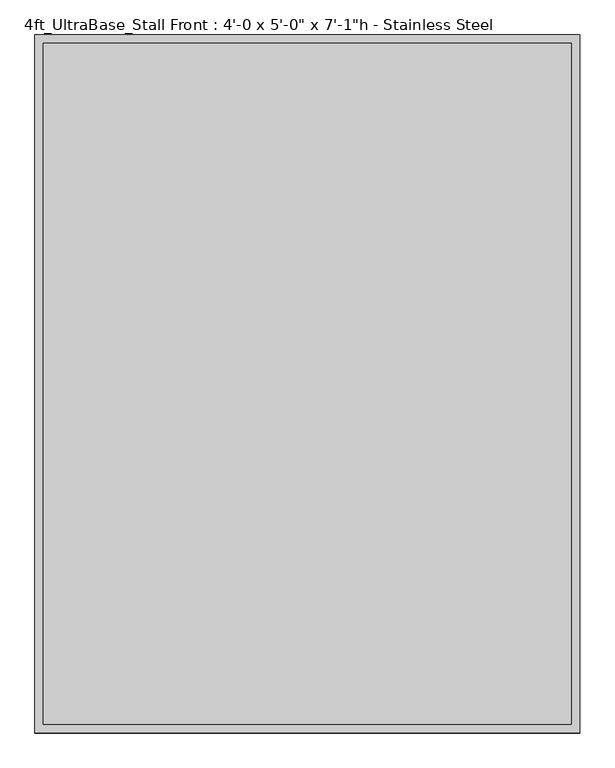
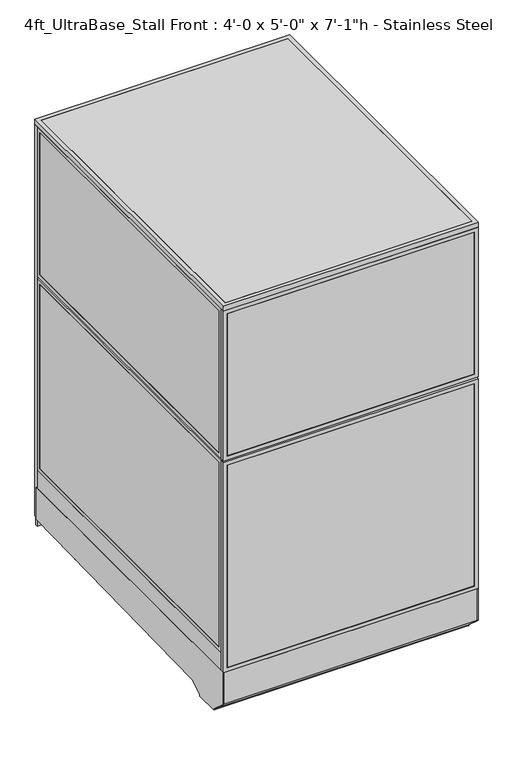
"""IFC4 building model written with IfcOpenShell, lengths in millimetres: proxy geometry."""

import ifcopenshell
import ifcopenshell.guid

model = None  # the IFC model being written
_history = None  # IfcOwnerHistory: only IFC2X3 demands one
_inside = {}  # id of a spatial element -> (the spatial element, [elements in it])
_under = {}  # id of a project, library or spatial element -> (it, [spatial elements below it])
_declared = {}  # id of a project -> (the project, [libraries it declares])
_typed = {}  # id of a type object -> (the type object, [elements of that type])
_made_of = {}  # id of a material, layer set ... -> (it, [elements and type objects made of it])


def new_model(schema):
    """Start an empty IFC model of exactly this schema.

    Asked for "IFC4X3", IfcOpenShell would pick the latest addendum, in which some entities
    have other attributes; the version numbers below select the first issue.
    IFC2X3 requires an IfcOwnerHistory on every rooted entity: one is made here for all.
    """
    global model, _history
    if schema == "IFC4X3":
        model = ifcopenshell.file(schema_version=(4, 3, 0, 0))
    else:
        model = ifcopenshell.file(schema=schema)
    _inside.clear()
    _under.clear()
    _declared.clear()
    _typed.clear()
    _made_of.clear()
    _history = None
    if model.schema == "IFC2X3":
        org = make("IfcOrganization", Name="unknown")
        user = make(
            "IfcPersonAndOrganization",
            ThePerson=make("IfcPerson", FamilyName="unknown"),
            TheOrganization=org,
        )
        app = make(
            "IfcApplication",
            ApplicationDeveloper=org,
            Version="unknown",
            ApplicationFullName="unknown",
            ApplicationIdentifier="unknown",
        )
        _history = make(
            "IfcOwnerHistory",
            OwningUser=user,
            OwningApplication=app,
            ChangeAction="ADDED",
            CreationDate=0,
        )
    return model


def make(cls, **values):
    """One entity of the class cls with the attributes given. An attribute that is None is left unset."""
    return model.create_entity(
        cls, **{name: value for name, value in values.items() if value is not None}
    )


def rooted(cls, **values):
    """An entity with a GlobalId (a new one), such as an element, a storey or a relation."""
    return make(cls, GlobalId=ifcopenshell.guid.new(), OwnerHistory=_history, **values)


def si_unit(unit_type, name, prefix=None):
    """IfcSIUnit, for example si_unit("LENGTHUNIT", "METRE", prefix="MILLI")."""
    return make("IfcSIUnit", UnitType=unit_type, Prefix=prefix, Name=name)


def assignment(units):
    """IfcUnitAssignment: the units of a project."""
    return None if units is None else make("IfcUnitAssignment", Units=units)


def point(xyz):
    """IfcCartesianPoint."""
    return None if xyz is None else make("IfcCartesianPoint", Coordinates=xyz)


def direction(xyz):
    """IfcDirection."""
    return None if xyz is None else make("IfcDirection", DirectionRatios=xyz)


def frame(location, z_axis=None, x_axis=None):
    """IfcAxis2Placement3D, a coordinate frame: its origin and axes. An axis left out is left unset."""
    return make(
        "IfcAxis2Placement3D",
        Location=point(location),
        Axis=direction(z_axis),
        RefDirection=direction(x_axis),
    )


def frame_2d(location, x_axis=None):
    """IfcAxis2Placement2D, a coordinate frame in the plane: its origin and x axis."""
    return make(
        "IfcAxis2Placement2D", Location=point(location), RefDirection=direction(x_axis)
    )


def origin():
    """The frame at (0, 0, 0) with its axes left unset."""
    return frame((0.0, 0.0, 0.0))


def origin_with_axes():
    """The frame at (0, 0, 0) with the z axis (0, 0, 1) and the x axis (1, 0, 0) written out."""
    return frame((0.0, 0.0, 0.0), z_axis=(0.0, 0.0, 1.0), x_axis=(1.0, 0.0, 0.0))


def place(relative_to, where):
    """IfcLocalPlacement: puts the frame where relative to a parent placement (None: the world)."""
    return make(
        "IfcLocalPlacement", PlacementRelTo=relative_to, RelativePlacement=where
    )


def context(
    kind, dimensions, precision=None, world=None, true_north=None, identifier=None
):
    """IfcGeometricRepresentationContext, for example the 3D "Model" context."""
    return make(
        "IfcGeometricRepresentationContext",
        ContextIdentifier=identifier,
        ContextType=kind,
        CoordinateSpaceDimension=dimensions,
        Precision=precision,
        WorldCoordinateSystem=world,
        TrueNorth=true_north,
    )


def project(units=None, contexts=None):
    """IfcProject with its units and contexts."""
    return rooted(
        "IfcProject",
        Name="project",
        RepresentationContexts=contexts,
        UnitsInContext=assignment(units),
    )


def spatial(cls, under=None, at=None, **own):
    """A site, building, storey or space (cls), placed at a placement, below another one or the project."""
    s = rooted(cls, ObjectPlacement=at, **own)
    if under is not None:
        _under.setdefault(under.id(), (under, []))[1].append(s)
    return s


def polyline(points):
    """IfcPolyline through the points."""
    return make("IfcPolyline", Points=[point(p) for p in points])


def circle_curve(where, radius):
    """IfcCircle in the frame where."""
    return make("IfcCircle", Position=where, Radius=radius)


def trimmed(basis, trim1, trim2, sense, master):
    """IfcTrimmedCurve: the piece of a basis curve between two trims."""
    return make(
        "IfcTrimmedCurve",
        BasisCurve=basis,
        Trim1=trim1,
        Trim2=trim2,
        SenseAgreement=sense,
        MasterRepresentation=master,
    )


def segment(curve, same_sense, transition):
    """IfcCompositeCurveSegment."""
    return make(
        "IfcCompositeCurveSegment",
        Transition=transition,
        SameSense=same_sense,
        ParentCurve=curve,
    )


def composite_curve(segments, self_intersect=None):
    """IfcCompositeCurve: segments joined end to end."""
    return make("IfcCompositeCurve", Segments=segments, SelfIntersect=self_intersect)


def outline(outer, holes=None, kind="AREA"):
    """IfcArbitraryClosedProfileDef: a profile drawn as a closed curve; with holes, ...WithVoids."""
    if holes is None:
        return make("IfcArbitraryClosedProfileDef", ProfileType=kind, OuterCurve=outer)
    return make(
        "IfcArbitraryProfileDefWithVoids",
        ProfileType=kind,
        OuterCurve=outer,
        InnerCurves=holes,
    )


def extrude(swept, where, along, depth):
    """IfcExtrudedAreaSolid: the profile swept, set in the frame where, extruded along a direction by depth."""
    return make(
        "IfcExtrudedAreaSolid",
        SweptArea=swept,
        Position=where,
        ExtrudedDirection=direction(along),
        Depth=depth,
    )


def shape(context_of_items, identifier, shape_type, items):
    """IfcShapeRepresentation: the items that make up one representation, for example the "Body"."""
    return make(
        "IfcShapeRepresentation",
        ContextOfItems=context_of_items,
        RepresentationIdentifier=identifier,
        RepresentationType=shape_type,
        Items=items,
    )


def source(mapping_origin, context_of_items, identifier, shape_type, items):
    """IfcRepresentationMap: a shape defined once, which mapped items show again and again."""
    return make(
        "IfcRepresentationMap",
        MappingOrigin=mapping_origin,
        MappedRepresentation=shape(context_of_items, identifier, shape_type, items),
    )


def transform(
    local_origin,
    x_axis=None,
    y_axis=None,
    z_axis=None,
    scale=None,
    scale2=None,
    scale3=None,
    uniform=True,
):
    """IfcCartesianTransformationOperator3D, or its non-uniform kind. x_axis, y_axis, z_axis: its Axis1, 2, 3."""
    if uniform:
        return make(
            "IfcCartesianTransformationOperator3D",
            Axis1=direction(x_axis),
            Axis2=direction(y_axis),
            LocalOrigin=point(local_origin),
            Scale=scale,
            Axis3=direction(z_axis),
        )
    return make(
        "IfcCartesianTransformationOperator3DnonUniform",
        Axis1=direction(x_axis),
        Axis2=direction(y_axis),
        LocalOrigin=point(local_origin),
        Scale=scale,
        Axis3=direction(z_axis),
        Scale2=scale2,
        Scale3=scale3,
    )


def mapped(mapping_source, mapping_target):
    """IfcMappedItem: shows the shape of a source again, moved by a transform."""
    return make(
        "IfcMappedItem", MappingSource=mapping_source, MappingTarget=mapping_target
    )


def made_of(thing, what):
    """Note that an element or type object is made of a material, layer set ...; save() writes the relation."""
    if what is not None:
        _made_of.setdefault(what.id(), (what, []))[1].append(thing)
    return thing


def element(
    cls,
    number,
    at=None,
    inside=None,
    cuts=None,
    type_object=None,
    material=None,
    context=None,
    identifier="Body",
    shape_type=None,
    held_by="IfcProductDefinitionShape",
    body=None,
    shapes=None,
    **own,
):
    """One element of the class cls, such as IfcWall. Its Tag is "e" and its number.

    at: its placement. inside: the storey or other place that contains it. cuts: it is an
    opening in that element (IfcRelVoidsElement). A single representation is given by context,
    identifier, shape_type and body (its items); several are given by shapes. held_by: the class
    of the entity that holds the representations. save() writes the other relations.
    """
    e = rooted(cls, Tag="e%d" % number, ObjectPlacement=at, **own)
    if body is not None:
        shapes = [shape(context, identifier, shape_type, body)]
    if shapes is not None:
        e.Representation = make(held_by, Representations=shapes)
    if inside is not None:
        _inside.setdefault(inside.id(), (inside, []))[1].append(e)
    if cuts is not None:
        rooted(
            "IfcRelVoidsElement", RelatingBuildingElement=cuts, RelatedOpeningElement=e
        )
    if type_object is not None:
        _typed.setdefault(type_object.id(), (type_object, []))[1].append(e)
    return made_of(e, material)


def aggregate(whole, parts):
    """IfcRelAggregates: a whole, such as a stair, and the parts it consists of."""
    return rooted("IfcRelAggregates", RelatingObject=whole, RelatedObjects=parts)


def save(model, path):
    """Write the relations noted so far, then the file.

    IfcRelAggregates (storeys below a building ...), IfcRelContainedInSpatialStructure (elements
    in a storey), IfcRelDefinesByType, IfcRelAssociatesMaterial and IfcRelDeclares: one each for
    every whole, place, type object, material and project.
    """
    for whole, parts in _under.values():
        aggregate(whole, parts)
    for where, things in _inside.values():
        rooted(
            "IfcRelContainedInSpatialStructure",
            RelatedElements=things,
            RelatingStructure=where,
        )
    for kind, things in _typed.values():
        rooted("IfcRelDefinesByType", RelatedObjects=things, RelatingType=kind)
    for what, things in _made_of.values():
        rooted("IfcRelAssociatesMaterial", RelatedObjects=things, RelatingMaterial=what)
    for by, libraries in _declared.values():
        rooted("IfcRelDeclares", RelatingContext=by, RelatedDefinitions=libraries)
    model.write(path)


def proxy_b6358f0b(model_context):
    return source(origin(), model_context, "Body", "SweptSolid", [
        extrude(outline(composite_curve([segment(trimmed(circle_curve(frame_2d((1110.8236459, 1372.8018426)), 38.1), [point((1072.7236459, 1372.8018426))], [point((1148.9236459, 1372.8018426))], False, "CARTESIAN"), True, "CONTINUOUS"), segment(trimmed(circle_curve(frame_2d((1110.8236459, 1372.8018426)), 38.1), [point((1148.9236459, 1372.8018426))], [point((1072.7236459, 1372.8018426))], False, "CARTESIAN"), True, "CONTINUOUS")], self_intersect=False)), frame((0.0, 0.0, 130.9806848), z_axis=(0.0, 0.0, 1.0), x_axis=(1.0, 0.0, 0.0)), (0.0, 0.0, 1.0), 12.9784433),
        extrude(outline(composite_curve([segment(trimmed(circle_curve(frame_2d((1110.8236459, 1372.8018426)), 12.7), [point((1098.1236459, 1372.8018426))], [point((1123.5236459, 1372.8018426))], False, "CARTESIAN"), True, "CONTINUOUS"), segment(trimmed(circle_curve(frame_2d((1110.8236459, 1372.8018426)), 12.7), [point((1123.5236459, 1372.8018426))], [point((1098.1236459, 1372.8018426))], False, "CARTESIAN"), True, "CONTINUOUS")], self_intersect=False)), frame((0.0, 0.0, 6.35), z_axis=(0.0, 0.0, 1.0), x_axis=(1.0, 0.0, 0.0)), (0.0, 0.0, 1.0), 124.6306848),
        extrude(outline(composite_curve([segment(trimmed(circle_curve(frame_2d((1110.8236459, 1372.8018426)), 25.4), [point((1085.4236459, 1372.8018426))], [point((1136.2236459, 1372.8018426))], False, "CARTESIAN"), True, "CONTINUOUS"), segment(trimmed(circle_curve(frame_2d((1110.8236459, 1372.8018426)), 25.4), [point((1136.2236459, 1372.8018426))], [point((1085.4236459, 1372.8018426))], False, "CARTESIAN"), True, "CONTINUOUS")], self_intersect=False)), origin_with_axes(), (0.0, 0.0, 1.0), 6.35),
        extrude(outline(composite_curve([segment(trimmed(circle_curve(frame_2d((120.2236459, 1372.8018426)), 38.1), [point((82.1236459, 1372.8018426))], [point((158.3236459, 1372.8018426))], False, "CARTESIAN"), True, "CONTINUOUS"), segment(trimmed(circle_curve(frame_2d((120.2236459, 1372.8018426)), 38.1), [point((158.3236459, 1372.8018426))], [point((82.1236459, 1372.8018426))], False, "CARTESIAN"), True, "CONTINUOUS")], self_intersect=False)), frame((0.0, 0.0, 130.9806848), z_axis=(0.0, 0.0, 1.0), x_axis=(1.0, 0.0, 0.0)), (0.0, 0.0, 1.0), 12.9784433),
        extrude(outline(composite_curve([segment(trimmed(circle_curve(frame_2d((120.2236459, 1372.8018426)), 12.7), [point((107.5236459, 1372.8018426))], [point((132.9236459, 1372.8018426))], False, "CARTESIAN"), True, "CONTINUOUS"), segment(trimmed(circle_curve(frame_2d((120.2236459, 1372.8018426)), 12.7), [point((132.9236459, 1372.8018426))], [point((107.5236459, 1372.8018426))], False, "CARTESIAN"), True, "CONTINUOUS")], self_intersect=False)), frame((0.0, 0.0, 6.35), z_axis=(0.0, 0.0, 1.0), x_axis=(1.0, 0.0, 0.0)), (0.0, 0.0, 1.0), 124.6306848),
        extrude(outline(composite_curve([segment(trimmed(circle_curve(frame_2d((120.2236459, 1372.8018426)), 25.4), [point((94.8236459, 1372.8018426))], [point((145.6236459, 1372.8018426))], False, "CARTESIAN"), True, "CONTINUOUS"), segment(trimmed(circle_curve(frame_2d((120.2236459, 1372.8018426)), 25.4), [point((145.6236459, 1372.8018426))], [point((94.8236459, 1372.8018426))], False, "CARTESIAN"), True, "CONTINUOUS")], self_intersect=False)), origin_with_axes(), (0.0, 0.0, 1.0), 6.35),
        extrude(outline(composite_curve([segment(trimmed(circle_curve(frame_2d((120.2236459, 331.9496116)), 38.1), [point((82.1236459, 331.9496116))], [point((158.3236459, 331.9496116))], False, "CARTESIAN"), True, "CONTINUOUS"), segment(trimmed(circle_curve(frame_2d((120.2236459, 331.9496116)), 38.1), [point((158.3236459, 331.9496116))], [point((82.1236459, 331.9496116))], False, "CARTESIAN"), True, "CONTINUOUS")], self_intersect=False)), frame((0.0, 0.0, 103.9931848), z_axis=(0.0, 0.0, 1.0), x_axis=(1.0, 0.0, 0.0)), (0.0, 0.0, 1.0), 12.9784433),
        extrude(outline(composite_curve([segment(trimmed(circle_curve(frame_2d((120.2236459, 331.9496116)), 12.7), [point((107.5236459, 331.9496116))], [point((132.9236459, 331.9496116))], False, "CARTESIAN"), True, "CONTINUOUS"), segment(trimmed(circle_curve(frame_2d((120.2236459, 331.9496116)), 12.7), [point((132.9236459, 331.9496116))], [point((107.5236459, 331.9496116))], False, "CARTESIAN"), True, "CONTINUOUS")], self_intersect=False)), frame((0.0, 0.0, 6.35), z_axis=(0.0, 0.0, 1.0), x_axis=(1.0, 0.0, 0.0)), (0.0, 0.0, 1.0), 97.6431848),
        extrude(outline(composite_curve([segment(trimmed(circle_curve(frame_2d((120.2236459, 331.9496116)), 25.4), [point((94.8236459, 331.9496116))], [point((145.6236459, 331.9496116))], False, "CARTESIAN"), True, "CONTINUOUS"), segment(trimmed(circle_curve(frame_2d((120.2236459, 331.9496116)), 25.4), [point((145.6236459, 331.9496116))], [point((94.8236459, 331.9496116))], False, "CARTESIAN"), True, "CONTINUOUS")], self_intersect=False)), origin_with_axes(), (0.0, 0.0, 1.0), 6.35),
        extrude(outline(composite_curve([segment(trimmed(circle_curve(frame_2d((1110.8236459, 331.9496116)), 38.1), [point((1072.7236459, 331.9496116))], [point((1148.9236459, 331.9496116))], False, "CARTESIAN"), True, "CONTINUOUS"), segment(trimmed(circle_curve(frame_2d((1110.8236459, 331.9496116)), 38.1), [point((1148.9236459, 331.9496116))], [point((1072.7236459, 331.9496116))], False, "CARTESIAN"), True, "CONTINUOUS")], self_intersect=False)), frame((0.0, 0.0, 103.9931848), z_axis=(0.0, 0.0, 1.0), x_axis=(1.0, 0.0, 0.0)), (0.0, 0.0, 1.0), 12.9784433),
        extrude(outline(composite_curve([segment(trimmed(circle_curve(frame_2d((1110.8236459, 331.9496116)), 12.7), [point((1098.1236459, 331.9496116))], [point((1123.5236459, 331.9496116))], False, "CARTESIAN"), True, "CONTINUOUS"), segment(trimmed(circle_curve(frame_2d((1110.8236459, 331.9496116)), 12.7), [point((1123.5236459, 331.9496116))], [point((1098.1236459, 331.9496116))], False, "CARTESIAN"), True, "CONTINUOUS")], self_intersect=False)), frame((0.0, 0.0, 6.35), z_axis=(0.0, 0.0, 1.0), x_axis=(1.0, 0.0, 0.0)), (0.0, 0.0, 1.0), 97.6431848),
        extrude(outline(composite_curve([segment(trimmed(circle_curve(frame_2d((1110.8236459, 331.9496116)), 25.4), [point((1085.4236459, 331.9496116))], [point((1136.2236459, 331.9496116))], False, "CARTESIAN"), True, "CONTINUOUS"), segment(trimmed(circle_curve(frame_2d((1110.8236459, 331.9496116)), 25.4), [point((1136.2236459, 331.9496116))], [point((1085.4236459, 331.9496116))], False, "CARTESIAN"), True, "CONTINUOUS")], self_intersect=False)), origin_with_axes(), (0.0, 0.0, 1.0), 6.35),
        extrude(outline(polyline([(-19.05, 304.8), (1530.35, 304.8), (1530.35, 143.3232444), (238.733612, 113.4956461), (175.3928625, 76.9258473), (175.3928625, 69.0977369), (59.8970382, 69.0977369), (59.8970382, 73.3553835), (-19.05, 144.439616), (-19.05, 304.8)])), frame((0.0, 0.0, 0.0), z_axis=(1.0, 0.0, 0.0), x_axis=(0.0, 1.0, 0.0)), (0.0, 0.0, 1.0), 3.175),
        extrude(outline(polyline([(-19.05, 304.8), (1530.35, 304.8), (1530.35, 143.3232444), (238.733612, 113.4956461), (175.3928625, 76.9258473), (175.3928625, 69.0977369), (59.8970382, 69.0977369), (59.8970382, 73.3553835), (-19.05, 144.439616), (-19.05, 304.8)])), frame((1216.025, 0.0, 0.0), z_axis=(1.0, 0.0, 0.0), x_axis=(0.0, 1.0, 0.0)), (0.0, 0.0, 1.0), 3.175),
        extrude(outline(polyline([(1530.35, 104.78262), (1530.35, 144.8342358), (238.733612, 113.4956461), (175.3928625, 76.9258473), (175.3928625, 69.0977369), (59.8970382, 69.0977369), (59.8970382, 73.3553835), (-19.05, 144.439616), (-19.05, 304.8), (-10.9434074, 304.8), (-10.9434074, 236.4996867), (-5.6766373, 236.4996867), (-2.6025146, 148.4683295), (68.18203, 84.7336392), (68.18203, 79.4164869), (167.804636, 79.4164869), (167.804636, 86.088281), (237.0845322, 126.0870477), (1543.05, 157.8890047), (1543.05, 104.78262), (1530.35, 104.78262)])), frame((3.175, 0.0, 0.0), z_axis=(1.0, 0.0, 0.0), x_axis=(0.0, 1.0, 0.0)), (0.0, 0.0, 1.0), 1212.85),
        extrude(outline(polyline([(60.3189838, 1541.4625), (854.0810162, 1541.4625), (854.0810162, 1525.5875), (60.3189838, 1525.5875), (60.3189838, 1541.4625)])), frame((0.0, 0.0, 212.725), z_axis=(0.0, 0.0, 1.0), x_axis=(1.0, 0.0, 0.0)), (0.0, 0.0, 1.0), 1860.55),
        extrude(outline(polyline([(193.675, 41.2689838), (193.675, 873.1310162), (2092.325, 873.1310162), (2092.325, 41.2689838), (193.675, 41.2689838)]), holes=[polyline([(2073.275, 854.0810162), (212.725, 854.0810162), (212.725, 60.3189838), (2073.275, 60.3189838), (2073.275, 854.0810162)])]), frame((0.0, 1524.0, 0.0), z_axis=(0.0, 1.0, 0.0), x_axis=(0.0, 0.0, 1.0)), (0.0, 0.0, 1.0), 19.05),
        extrude(outline(polyline([(152.4, 0.0), (152.4, 914.4), (2133.6, 914.4), (2133.6, 0.0), (152.4, 0.0)]), holes=[polyline([(2114.55, 19.05), (2114.55, 895.35), (171.45, 895.35), (171.45, 19.05), (2114.55, 19.05)])]), frame((0.0, 1524.0, 0.0), z_axis=(0.0, 1.0, 0.0), x_axis=(0.0, 0.0, 1.0)), (0.0, 0.0, 1.0), 19.05),
        extrude(outline(polyline([(933.45, 1541.4625), (1200.15, 1541.4625), (1200.15, 1525.5875), (933.45, 1525.5875), (933.45, 1541.4625)])), frame((0.0, 0.0, 171.45), z_axis=(0.0, 0.0, 1.0), x_axis=(1.0, 0.0, 0.0)), (0.0, 0.0, 1.0), 800.1),
        extrude(outline(polyline([(933.45, 1541.4625), (1200.15, 1541.4625), (1200.15, 1525.5875), (933.45, 1525.5875), (933.45, 1541.4625)])), frame((0.0, 0.0, 1009.65), z_axis=(0.0, 0.0, 1.0), x_axis=(1.0, 0.0, 0.0)), (0.0, 0.0, 1.0), 1104.9),
        extrude(outline(polyline([(2133.6, 1219.2), (2133.6, 914.4), (152.4, 914.4), (152.4, 1219.2), (2133.6, 1219.2)]), holes=[polyline([(1009.65, 1200.15), (1009.65, 933.45), (2114.55, 933.45), (2114.55, 1200.15), (1009.65, 1200.15)]), polyline([(971.55, 1200.15), (171.45, 1200.15), (171.45, 933.45), (971.55, 933.45), (971.55, 1200.15)])]), frame((0.0, 1524.0, 0.0), z_axis=(0.0, 1.0, 0.0), x_axis=(0.0, 0.0, 1.0)), (0.0, 0.0, 1.0), 19.05),
        extrude(outline(polyline([(1366.8375, 1219.2), (1366.8375, 0.0), (304.8, 0.0), (304.8, 1219.2), (1366.8375, 1219.2)]), holes=[polyline([(323.85, 1200.15), (323.85, 19.05), (1347.7875, 19.05), (1347.7875, 1200.15), (323.85, 1200.15)])]), frame((0.0, -19.05, 0.0), z_axis=(0.0, 1.0, 0.0), x_axis=(0.0, 0.0, 1.0)), (0.0, 0.0, 1.0), 19.05),
        extrude(outline(polyline([(1376.3625, 1219.2), (2133.6, 1219.2), (2133.6, 0.0), (1376.3625, 0.0), (1376.3625, 1219.2)]), holes=[polyline([(2114.55, 1200.15), (1395.4125, 1200.15), (1395.4125, 19.05), (2114.55, 19.05), (2114.55, 1200.15)])]), frame((0.0, -19.05, 0.0), z_axis=(0.0, 1.0, 0.0), x_axis=(0.0, 0.0, 1.0)), (0.0, 0.0, 1.0), 19.05),
        extrude(outline(polyline([(1200.15, -17.4625), (19.05, -17.4625), (19.05, -1.5875), (1200.15, -1.5875), (1200.15, -17.4625)])), frame((0.0, 0.0, 323.85), z_axis=(0.0, 0.0, 1.0), x_axis=(1.0, 0.0, 0.0)), (0.0, 0.0, 1.0), 1023.9375),
        extrude(outline(polyline([(1200.15, -17.4625), (19.05, -17.4625), (19.05, -1.5875), (1200.15, -1.5875), (1200.15, -17.4625)])), frame((0.0, 0.0, 1395.4125), z_axis=(0.0, 0.0, 1.0), x_axis=(1.0, 0.0, 0.0)), (0.0, 0.0, 1.0), 719.1375),
        extrude(outline(polyline([(1200.15, 0.0), (1200.15, 1524.0), (1219.2, 1524.0), (1219.2, 0.0), (1200.15, 0.0)])), frame((0.0, 0.0, 304.8), z_axis=(0.0, 0.0, 1.0), x_axis=(1.0, 0.0, 0.0)), (0.0, 0.0, 1.0), 88.9),
        extrude(outline(polyline([(1524.0, 393.7), (0.0, 393.7), (0.0, 1366.8375), (1524.0, 1366.8375), (1524.0, 393.7)]), holes=[polyline([(1504.95, 1347.7875), (19.05, 1347.7875), (19.05, 412.75), (1504.95, 412.75), (1504.95, 1347.7875)])]), frame((1200.15, 0.0, 0.0), z_axis=(1.0, 0.0, 0.0), x_axis=(0.0, 1.0, 0.0)), (0.0, 0.0, 1.0), 19.05),
        extrude(outline(polyline([(0.0, 1376.3625), (0.0, 2133.6), (1524.0, 2133.6), (1524.0, 1376.3625), (0.0, 1376.3625)]), holes=[polyline([(19.05, 2114.55), (19.05, 1395.4125), (1504.95, 1395.4125), (1504.95, 2114.55), (19.05, 2114.55)])]), frame((1200.15, 0.0, 0.0), z_axis=(1.0, 0.0, 0.0), x_axis=(0.0, 1.0, 0.0)), (0.0, 0.0, 1.0), 19.05),
        extrude(outline(polyline([(1201.7375, 19.05), (1201.7375, 1504.95), (1217.6125, 1504.95), (1217.6125, 19.05), (1201.7375, 19.05)])), frame((0.0, 0.0, 412.75), z_axis=(0.0, 0.0, 1.0), x_axis=(1.0, 0.0, 0.0)), (0.0, 0.0, 1.0), 935.0375),
        extrude(outline(polyline([(1201.7375, 19.05), (1201.7375, 1504.95), (1217.6125, 1504.95), (1217.6125, 19.05), (1201.7375, 19.05)])), frame((0.0, 0.0, 1395.4125), z_axis=(0.0, 0.0, 1.0), x_axis=(1.0, 0.0, 0.0)), (0.0, 0.0, 1.0), 719.1375),
        extrude(outline(polyline([(0.0, 0.0), (0.0, 1524.0), (19.05, 1524.0), (19.05, 0.0), (0.0, 0.0)])), frame((0.0, 0.0, 304.8), z_axis=(0.0, 0.0, 1.0), x_axis=(1.0, 0.0, 0.0)), (0.0, 0.0, 1.0), 88.9),
        extrude(outline(polyline([(1524.0, 393.7), (0.0, 393.7), (0.0, 1366.8375), (1524.0, 1366.8375), (1524.0, 393.7)]), holes=[polyline([(1504.95, 1347.7875), (19.05, 1347.7875), (19.05, 412.75), (1504.95, 412.75), (1504.95, 1347.7875)])]), frame((0.0, 0.0, 0.0), z_axis=(1.0, 0.0, 0.0), x_axis=(0.0, 1.0, 0.0)), (0.0, 0.0, 1.0), 19.05),
        extrude(outline(polyline([(0.0, 1376.3625), (0.0, 2133.6), (1524.0, 2133.6), (1524.0, 1376.3625), (0.0, 1376.3625)]), holes=[polyline([(19.05, 2114.55), (19.05, 1395.4125), (1504.95, 1395.4125), (1504.95, 2114.55), (19.05, 2114.55)])]), frame((0.0, 0.0, 0.0), z_axis=(1.0, 0.0, 0.0), x_axis=(0.0, 1.0, 0.0)), (0.0, 0.0, 1.0), 19.05),
        extrude(outline(polyline([(1.5875, 19.05), (1.5875, 1504.95), (17.4625, 1504.95), (17.4625, 19.05), (1.5875, 19.05)])), frame((0.0, 0.0, 412.75), z_axis=(0.0, 0.0, 1.0), x_axis=(1.0, 0.0, 0.0)), (0.0, 0.0, 1.0), 935.0375),
        extrude(outline(polyline([(1.5875, 19.05), (1.5875, 1504.95), (17.4625, 1504.95), (17.4625, 19.05), (1.5875, 19.05)])), frame((0.0, 0.0, 1395.4125), z_axis=(0.0, 0.0, 1.0), x_axis=(1.0, 0.0, 0.0)), (0.0, 0.0, 1.0), 719.1375),
        extrude(outline(polyline([(1187.45, 622.3), (1187.45, 609.6), (31.75, 609.6), (31.75, 622.3), (1187.45, 622.3)])), frame((0.0, 0.0, 152.4), z_axis=(0.0, 0.0, 1.0), x_axis=(1.0, 0.0, 0.0)), (0.0, 0.0, 1.0), 152.4),
        extrude(outline(polyline([(1187.45, 622.3), (1187.45, 12.7), (31.75, 12.7), (31.75, 622.3), (1187.45, 622.3)])), frame((0.0, 0.0, 304.8), z_axis=(0.0, 0.0, 1.0), x_axis=(1.0, 0.0, 0.0)), (0.0, 0.0, 1.0), 12.7),
        extrude(outline(polyline([(1219.2, 1543.05), (1219.2, -19.05), (0.0, -19.05), (0.0, 1543.05), (1219.2, 1543.05)]), holes=[polyline([(1200.15, 1524.0), (19.05, 1524.0), (19.05, 0.0), (1200.15, 0.0), (1200.15, 1524.0)])]), frame((0.0, 0.0, 2133.6), z_axis=(0.0, 0.0, 1.0), x_axis=(1.0, 0.0, 0.0)), (0.0, 0.0, 1.0), 25.4),
        extrude(outline(polyline([(19.05, 1524.0), (1200.15, 1524.0), (1200.15, 0.0), (19.05, 0.0), (19.05, 1524.0)])), frame((0.0, 0.0, 2133.6), z_axis=(0.0, 0.0, 1.0), x_axis=(1.0, 0.0, 0.0)), (0.0, 0.0, 1.0), 25.4),
    ])


if __name__ == "__main__":
    model = new_model("IFC4")
    model_context = context("Model", 3, world=origin())
    ifc_project = project(units=[si_unit("LENGTHUNIT", "METRE", prefix="MILLI")], contexts=[model_context])
    site = spatial("IfcSite", under=ifc_project)
    building = spatial("IfcBuilding", under=site)
    placement = place(None, origin())
    proxy_shape = proxy_b6358f0b(model_context)
    element("IfcBuildingElementProxy", 1, Name="4ft_UltraBase_Stall Front : 4'-0 x 5'-0\" x 7'-1\"h - Stainless Steel", ObjectType="4ft_UltraBase_Stall Front : 4'-0 x 5'-0\" x 7'-1\"h - Stainless Steel", at=placement, inside=building, context=model_context, shape_type="MappedRepresentation", body=[
        mapped(proxy_shape, transform((0.0, 0.0, 0.0), x_axis=(1.0, 0.0, 0.0), y_axis=(0.0, 1.0, 0.0), z_axis=(0.0, 0.0, 1.0))),
    ])
    save(model, "model.ifc")
